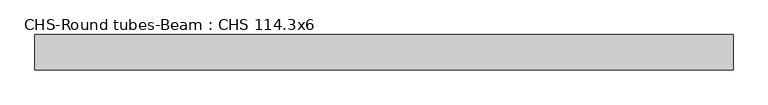
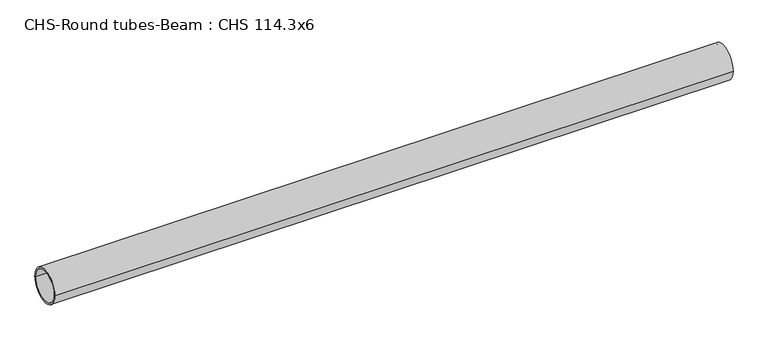
"""IFC4 building model written with IfcOpenShell, lengths in millimetres: beam geometry, CHS-Round tubes-Beam : CHS 114.3x6."""

from ifc_helpers import new_model, si_unit, point, frame, origin, origin_2d, place, context, project, spatial, circle_curve, trimmed, segment, composite_curve, outline, extrude, source, transform, mapped, element, save


def chs_round_tubes_beam_chs_114_3x6_9ee08cb8(model_context):
    return source(origin(), model_context, "Body", "SweptSolid", [
        extrude(outline(composite_curve([segment(trimmed(circle_curve(origin_2d(), 57.15), [point((57.15, 0.0))], [point((-57.15, 0.0))], False, "CARTESIAN"), True, "CONTINUOUS"), segment(trimmed(circle_curve(origin_2d(), 57.15), [point((-57.15, 0.0))], [point((57.15, 0.0))], False, "CARTESIAN"), True, "CONTINUOUS")], self_intersect=False), holes=[composite_curve([segment(trimmed(circle_curve(origin_2d(), 51.15), [point((51.15, 0.0))], [point((-51.15, 0.0))], True, "CARTESIAN"), True, "CONTINUOUS"), segment(trimmed(circle_curve(origin_2d(), 51.15), [point((-51.15, 0.0))], [point((51.15, 0.0))], True, "CARTESIAN"), True, "CONTINUOUS")], self_intersect=False)]), frame((-1106.6947046, 0.0, 0.0), z_axis=(1.0, 0.0, 0.0), x_axis=(0.0, 1.0, 0.0)), (0.0, 0.0, 1.0), 2245.4174269),
    ])


if __name__ == "__main__":
    model = new_model("IFC4")
    model_context = context("Model", 3, world=origin())
    ifc_project = project(units=[si_unit("LENGTHUNIT", "METRE", prefix="MILLI")], contexts=[model_context])
    site = spatial("IfcSite", under=ifc_project)
    building = spatial("IfcBuilding", under=site)
    placement = place(None, origin())
    chs_round_tubes_beam_chs_114_3x6_shape = chs_round_tubes_beam_chs_114_3x6_9ee08cb8(model_context)
    element("IfcBeam", 1, ObjectType="CHS-Round tubes-Beam : CHS 114.3x6", at=placement, inside=building, context=model_context, shape_type="MappedRepresentation", body=[
        mapped(chs_round_tubes_beam_chs_114_3x6_shape, transform((0.0, 0.0, 0.0), x_axis=(1.0, 0.0, 0.0), y_axis=(0.0, 1.0, 0.0), z_axis=(0.0, 0.0, 1.0))),
    ])
    save(model, "model.ifc")
